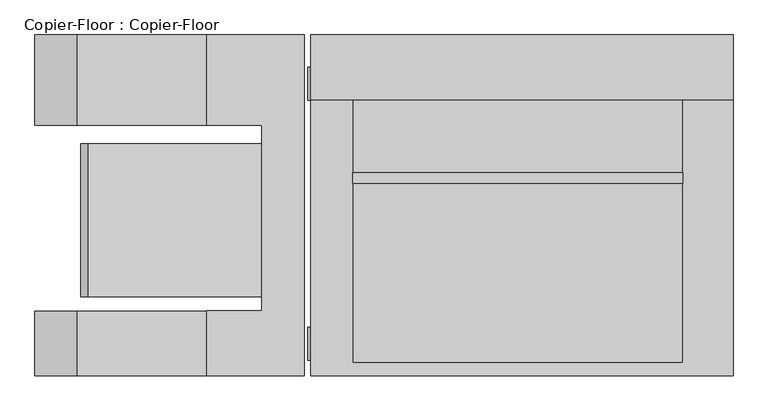
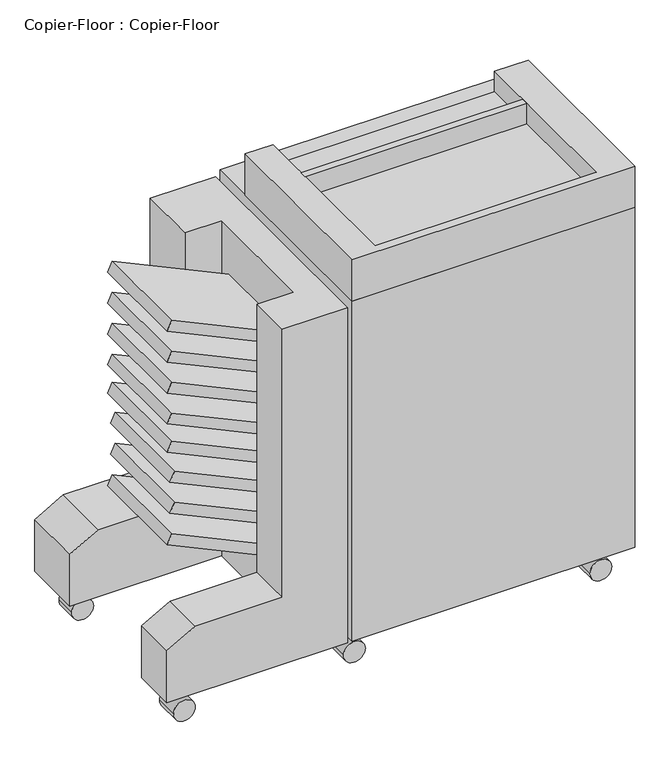
"""IFC4 building model written with IfcOpenShell, lengths in millimetres: proxy geometry, Copier-Floor : Copier-Floor."""

from ifc_helpers import new_model, si_unit, point, frame, frame_2d, origin, place, context, project, spatial, polyline, circle_curve, trimmed, segment, composite_curve, outline, extrude, faceted_brep, source, transform, mapped, element, save


def copier_floor_copier_floor_7d72a301(model_context):
    return source(origin(), model_context, "Body", "SolidModel", [
        extrude(outline(polyline([(387.7567294, -681.6535349), (364.7365116, -692.3880388), (232.9041289, -409.6725817), (260.929928, -409.6725817), (387.7567294, -681.6535349)])), frame((0.0, -167.6536807, 0.0), z_axis=(0.0, 1.0, 0.0), x_axis=(0.0, 0.0, 1.0)), (0.0, 0.0, 1.0), 239.8222339),
        extrude(outline(polyline([(463.6667654, -675.0122673), (440.6465476, -685.7467712), (311.9110388, -409.6725817), (339.9368379, -409.6725817), (463.6667654, -675.0122673)])), frame((0.0, -167.6536807, 0.0), z_axis=(0.0, 1.0, 0.0), x_axis=(0.0, 0.0, 1.0)), (0.0, 0.0, 1.0), 239.8222339),
        extrude(outline(polyline([(539.8667654, -675.0122673), (516.8465476, -685.7467712), (388.1110388, -409.6725817), (416.1368379, -409.6725817), (539.8667654, -675.0122673)])), frame((0.0, -167.6536807, 0.0), z_axis=(0.0, 1.0, 0.0), x_axis=(0.0, 0.0, 1.0)), (0.0, 0.0, 1.0), 239.8222339),
        extrude(outline(polyline([(914.2268014, -681.6535349), (891.2065836, -692.3880388), (759.3742009, -409.6725817), (787.4, -409.6725817), (914.2268014, -681.6535349)])), frame((0.0, -167.6536807, 0.0), z_axis=(0.0, 1.0, 0.0), x_axis=(0.0, 0.0, 1.0)), (0.0, 0.0, 1.0), 239.8222339),
        extrude(outline(polyline([(838.0268014, -681.6535349), (815.0065836, -692.3880388), (683.1742009, -409.6725817), (711.2, -409.6725817), (838.0268014, -681.6535349)])), frame((0.0, -167.6536807, 0.0), z_axis=(0.0, 1.0, 0.0), x_axis=(0.0, 0.0, 1.0)), (0.0, 0.0, 1.0), 239.8222339),
        extrude(outline(polyline([(615.7768014, -681.6535349), (592.7565836, -692.3880388), (460.9242009, -409.6725817), (488.95, -409.6725817), (615.7768014, -681.6535349)])), frame((0.0, -167.6536807, 0.0), z_axis=(0.0, 1.0, 0.0), x_axis=(0.0, 0.0, 1.0)), (0.0, 0.0, 1.0), 239.8222339),
        extrude(outline(polyline([(685.6268014, -681.6535349), (662.6065836, -692.3880388), (530.7742009, -409.6725817), (558.8, -409.6725817), (685.6268014, -681.6535349)])), frame((0.0, -167.6536807, 0.0), z_axis=(0.0, 1.0, 0.0), x_axis=(0.0, 0.0, 1.0)), (0.0, 0.0, 1.0), 239.8222339),
        extrude(outline(polyline([(761.8268014, -681.6535349), (738.8065836, -692.3880388), (606.9742009, -409.6725817), (635.0, -409.6725817), (761.8268014, -681.6535349)])), frame((0.0, -167.6536807, 0.0), z_axis=(0.0, 1.0, 0.0), x_axis=(0.0, 0.0, 1.0)), (0.0, 0.0, 1.0), 239.8222339),
        extrude(outline(composite_curve([segment(trimmed(circle_curve(frame_2d((26.0668925, -711.8709821)), 25.4), [point((26.0668925, -737.2709821))], [point((26.0668925, -686.4709821))], False, "CARTESIAN"), True, "CONTINUOUS"), segment(trimmed(circle_curve(frame_2d((26.0668925, -711.8709821)), 25.4), [point((26.0668925, -686.4709821))], [point((26.0668925, -737.2709821))], False, "CARTESIAN"), True, "CONTINUOUS")], self_intersect=False)), frame((0.0, -271.1108348, 0.0), z_axis=(0.0, 1.0, 0.0), x_axis=(0.0, 0.0, 1.0)), (0.0, 0.0, 1.0), 55.9418879),
        extrude(outline(composite_curve([segment(trimmed(circle_curve(frame_2d((26.0668925, -711.8709821)), 25.4), [point((26.0668925, -737.2709821))], [point((26.0668925, -686.4709821))], False, "CARTESIAN"), True, "CONTINUOUS"), segment(trimmed(circle_curve(frame_2d((26.0668925, -711.8709821)), 25.4), [point((26.0668925, -686.4709821))], [point((26.0668925, -737.2709821))], False, "CARTESIAN"), True, "CONTINUOUS")], self_intersect=False)), frame((0.0, 139.9052479, 0.0), z_axis=(0.0, 1.0, 0.0), x_axis=(0.0, 0.0, 1.0)), (0.0, 0.0, 1.0), 51.3258053),
        faceted_brep([(-764.1654582, 242.0310532, 76.2), (-764.1654582, 242.0310532, 203.2), (-698.1743224, 242.0310532, 241.3), (-494.9743224, 242.0310532, 241.3), (-494.9743224, 242.0310532, 901.7), (-342.5743224, 242.0310532, 901.7), (-342.5743224, 242.0310532, 76.2), (-764.1654582, -291.3689468, 76.2), (-342.5743224, -291.3689468, 76.2), (-342.5743224, -291.3689468, 901.7), (-494.9743224, -291.3689468, 901.7), (-494.9743224, -291.3689468, 241.3), (-698.1743224, -291.3689468, 241.3), (-764.1654582, -291.3689468, 203.2), (-764.1654582, -189.7689468, 76.2), (-409.6725817, -189.7689468, 76.2), (-409.6725817, 100.8888364, 76.2), (-764.1654582, 100.8888364, 76.2), (-494.9743224, 100.8888364, 901.7), (-409.6725817, 100.8888364, 901.7), (-409.6725817, -189.7689468, 901.7), (-494.9743224, -189.7689468, 901.7), (-494.9743224, -189.7689468, 241.3), (-494.9743224, 100.8888364, 241.3), (-698.1743224, -189.7689468, 241.3), (-698.1743224, 100.8888364, 241.3), (-764.1654582, -189.7689468, 203.2), (-764.1654582, 100.8888364, 203.2)], [[[0, 1, 2, 3, 4, 5, 6]], [[7, 8, 9, 10, 11, 12, 13]], [[6, 8, 7, 14, 15, 16, 17, 0]], [[5, 9, 8, 6]], [[4, 18, 19, 20, 21, 10, 9, 5]], [[10, 21, 22, 11]], [[3, 23, 18, 4]], [[11, 22, 24, 12]], [[2, 25, 23, 3]], [[12, 24, 26, 13]], [[1, 27, 25, 2]], [[0, 17, 27, 1]], [[13, 26, 14, 7]], [[15, 14, 26, 24, 22, 21, 20]], [[19, 18, 23, 25, 27, 17, 16]], [[20, 19, 16, 15]]]),
        extrude(outline(composite_curve([segment(trimmed(circle_curve(frame_2d((27.9129458, -312.2555429)), 25.4), [point((27.9129458, -337.6555429))], [point((27.9129458, -286.8555429))], False, "CARTESIAN"), True, "CONTINUOUS"), segment(trimmed(circle_curve(frame_2d((27.9129458, -312.2555429)), 25.4), [point((27.9129458, -286.8555429))], [point((27.9129458, -337.6555429))], False, "CARTESIAN"), True, "CONTINUOUS")], self_intersect=False)), frame((0.0, -266.4947521, 0.0), z_axis=(0.0, 1.0, 0.0), x_axis=(0.0, 0.0, 1.0)), (0.0, 0.0, 1.0), 51.3258053),
        extrude(outline(composite_curve([segment(trimmed(circle_curve(frame_2d((27.9129458, 262.7398948)), 25.4), [point((27.9129458, 237.3398948))], [point((27.9129458, 288.1398948))], False, "CARTESIAN"), True, "CONTINUOUS"), segment(trimmed(circle_curve(frame_2d((27.9129458, 262.7398948)), 25.4), [point((27.9129458, 288.1398948))], [point((27.9129458, 237.3398948))], False, "CARTESIAN"), True, "CONTINUOUS")], self_intersect=False)), frame((0.0, -266.4947521, 0.0), z_axis=(0.0, 1.0, 0.0), x_axis=(0.0, 0.0, 1.0)), (0.0, 0.0, 1.0), 51.3258053),
        extrude(outline(composite_curve([segment(trimmed(circle_curve(frame_2d((27.9129458, -312.2555429)), 25.4), [point((27.9129458, -337.6555429))], [point((27.9129458, -286.8555429))], False, "CARTESIAN"), True, "CONTINUOUS"), segment(trimmed(circle_curve(frame_2d((27.9129458, -312.2555429)), 25.4), [point((27.9129458, -286.8555429))], [point((27.9129458, -337.6555429))], False, "CARTESIAN"), True, "CONTINUOUS")], self_intersect=False)), frame((0.0, 139.9052479, 0.0), z_axis=(0.0, 1.0, 0.0), x_axis=(0.0, 0.0, 1.0)), (0.0, 0.0, 1.0), 51.3258053),
        extrude(outline(composite_curve([segment(trimmed(circle_curve(frame_2d((27.9129458, 262.7398948)), 25.4), [point((27.9129458, 237.3398948))], [point((27.9129458, 288.1398948))], False, "CARTESIAN"), True, "CONTINUOUS"), segment(trimmed(circle_curve(frame_2d((27.9129458, 262.7398948)), 25.4), [point((27.9129458, 288.1398948))], [point((27.9129458, 237.3398948))], False, "CARTESIAN"), True, "CONTINUOUS")], self_intersect=False)), frame((0.0, 139.9052479, 0.0), z_axis=(0.0, 1.0, 0.0), x_axis=(0.0, 0.0, 1.0)), (0.0, 0.0, 1.0), 51.3258053),
        extrude(outline(composite_curve([segment(trimmed(circle_curve(frame_2d((27.9129458, -306.6302391)), 25.4), [point((27.9129458, -332.0302391))], [point((27.9129458, -281.2302391))], False, "CARTESIAN"), True, "CONTINUOUS"), segment(trimmed(circle_curve(frame_2d((27.9129458, -306.6302391)), 25.4), [point((27.9129458, -281.2302391))], [point((27.9129458, -332.0302391))], False, "CARTESIAN"), True, "CONTINUOUS")], self_intersect=False)), frame((0.0, 139.9052479, 0.0), z_axis=(0.0, 1.0, 0.0), x_axis=(0.0, 0.0, 1.0)), (0.0, 0.0, 1.0), 51.3258053),
        extrude(outline(composite_curve([segment(trimmed(circle_curve(frame_2d((27.9129458, 268.3651986)), 25.4), [point((27.9129458, 242.9651986))], [point((27.9129458, 293.7651986))], False, "CARTESIAN"), True, "CONTINUOUS"), segment(trimmed(circle_curve(frame_2d((27.9129458, 268.3651986)), 25.4), [point((27.9129458, 293.7651986))], [point((27.9129458, 242.9651986))], False, "CARTESIAN"), True, "CONTINUOUS")], self_intersect=False)), frame((0.0, 139.9052479, 0.0), z_axis=(0.0, 1.0, 0.0), x_axis=(0.0, 0.0, 1.0)), (0.0, 0.0, 1.0), 51.3258053),
        extrude(outline(polyline([(249.314028, 26.1310532), (249.314028, 10.0577181), (-267.2959958, 10.0577181), (-267.2959958, 26.1310532), (249.314028, 26.1310532)])), frame((0.0, 0.0, 965.2), z_axis=(0.0, 0.0, 1.0), x_axis=(1.0, 0.0, 0.0)), (0.0, 0.0, 1.0), 50.8),
        faceted_brep([(249.314028, 242.0310532, 472.3553727), (-284.085972, 242.0310532, 472.3553727), (-284.085972, 242.0310532, 609.6), (249.314028, 242.0310532, 609.6), (-66.7741493, 242.0310532, 578.8591447), (-66.7741493, 242.0310532, 553.4591447), (34.8258507, 242.0310532, 553.4591447), (34.8258507, 242.0310532, 578.8591447), (249.314028, 191.2310532, 472.3553727), (249.314028, 191.2310532, 609.6), (-284.085972, 191.2310532, 609.6), (-284.085972, 191.2310532, 472.3553727), (34.8258507, 216.6310532, 578.8591447), (34.8258507, 216.6310532, 553.4591447), (-66.7741493, 216.6310532, 553.4591447), (-66.7741493, 216.6310532, 578.8591447)], [[[0, 1, 2, 3], [4, 5, 6, 7]], [[8, 9, 10, 11]], [[3, 9, 8, 0]], [[2, 10, 9, 3]], [[1, 11, 10, 2]], [[0, 8, 11, 1]], [[12, 13, 14, 15]], [[15, 4, 7, 12]], [[14, 5, 4, 15]], [[13, 6, 5, 14]], [[12, 7, 6, 13]]]),
        faceted_brep([(249.314028, 242.0310532, 283.8723489), (-284.085972, 242.0310532, 283.8723489), (-284.085972, 242.0310532, 472.3553727), (249.314028, 242.0310532, 472.3553727), (-66.7741493, 242.0310532, 432.3774172), (-66.7741493, 242.0310532, 406.4), (34.8258507, 242.0310532, 406.4), (34.8258507, 242.0310532, 432.3774172), (249.314028, 191.2310532, 283.8723489), (249.314028, 191.2310532, 472.3553727), (-284.085972, 191.2310532, 472.3553727), (-284.085972, 191.2310532, 283.8723489), (34.8258507, 216.6310532, 432.3774172), (34.8258507, 216.6310532, 406.4), (-66.7741493, 216.6310532, 406.4), (-66.7741493, 216.6310532, 432.3774172)], [[[0, 1, 2, 3], [4, 5, 6, 7]], [[8, 9, 10, 11]], [[3, 9, 8, 0]], [[2, 10, 9, 3]], [[1, 11, 10, 2]], [[0, 8, 11, 1]], [[12, 13, 14, 15]], [[15, 4, 7, 12]], [[14, 5, 4, 15]], [[13, 6, 5, 14]], [[12, 7, 6, 13]]]),
        faceted_brep([(249.314028, 242.0310532, 76.2), (-284.085972, 242.0310532, 76.2), (-284.085972, 242.0310532, 283.8723489), (249.314028, 242.0310532, 283.8723489), (-66.7741493, 242.0310532, 246.5423898), (-66.7741493, 242.0310532, 211.1096445), (34.8258507, 242.0310532, 211.1096445), (34.8258507, 242.0310532, 246.5423898), (249.314028, 191.2310532, 76.2), (249.314028, 191.2310532, 283.8723489), (-284.085972, 191.2310532, 283.8723489), (-284.085972, 191.2310532, 76.2), (34.8258507, 216.6310532, 246.5423898), (34.8258507, 216.6310532, 211.1096445), (-66.7741493, 216.6310532, 211.1096445), (-66.7741493, 216.6310532, 246.5423898)], [[[0, 1, 2, 3], [4, 5, 6, 7]], [[8, 9, 10, 11]], [[3, 9, 8, 0]], [[2, 10, 9, 3]], [[1, 11, 10, 2]], [[0, 8, 11, 1]], [[12, 13, 14, 15]], [[15, 4, 7, 12]], [[14, 5, 4, 15]], [[13, 6, 5, 14]], [[12, 7, 6, 13]]]),
        faceted_brep([(328.0345418, -291.3689468, 1016.0), (328.0345418, 139.9052479, 1016.0), (249.314028, 139.9052479, 1016.0), (249.314028, -271.1108348, 1016.0), (-267.2959958, -271.1108348, 1016.0), (-267.2959958, 139.9052479, 1016.0), (-332.3654582, 139.9052479, 1016.0), (-332.3654582, -291.3689468, 1016.0), (328.0345418, -291.3689468, 914.4), (-332.3654582, -291.3689468, 914.4), (-332.3654582, 139.9052479, 914.4), (328.0345418, 139.9052479, 914.4), (-267.2959958, 139.9052479, 965.2), (249.314028, 139.9052479, 965.2), (249.314028, -271.1108348, 965.2), (-267.2959958, -271.1108348, 965.2)], [[[0, 1, 2, 3, 4, 5, 6, 7]], [[8, 9, 10, 11]], [[7, 9, 8, 0]], [[6, 10, 9, 7]], [[10, 6, 5, 12, 13, 2, 1, 11]], [[0, 8, 11, 1]], [[14, 13, 12, 15]], [[15, 4, 3, 14]], [[12, 5, 4, 15]], [[14, 3, 2, 13]]]),
        faceted_brep([(328.0345418, -291.3689468, 914.4), (328.0345418, 242.0310532, 914.4), (-332.3654582, 242.0310532, 914.4), (-332.3654582, -291.3689468, 914.4), (328.0345418, -291.3689468, 76.2), (-332.3654582, -291.3689468, 76.2), (-332.3654582, 242.0310532, 76.2), (-284.085972, 242.0310532, 76.2), (-284.085972, 191.2310532, 76.2), (249.314028, 191.2310532, 76.2), (249.314028, 242.0310532, 76.2), (328.0345418, 242.0310532, 76.2), (249.314028, 242.0310532, 609.6), (-284.085972, 242.0310532, 609.6), (-284.085972, 191.2310532, 609.6), (249.314028, 191.2310532, 609.6)], [[[0, 1, 2, 3]], [[4, 5, 6, 7, 8, 9, 10, 11]], [[3, 5, 4, 0]], [[2, 6, 5, 3]], [[1, 11, 10, 12, 13, 7, 6, 2]], [[0, 4, 11, 1]], [[14, 15, 9, 8]], [[8, 7, 13, 14]], [[15, 12, 10, 9]], [[14, 13, 12, 15]]]),
    ])


if __name__ == "__main__":
    model = new_model("IFC4")
    model_context = context("Model", 3, world=origin())
    ifc_project = project(units=[si_unit("LENGTHUNIT", "METRE", prefix="MILLI")], contexts=[model_context])
    site = spatial("IfcSite", under=ifc_project)
    building = spatial("IfcBuilding", under=site)
    placement = place(None, origin())
    copier_floor_copier_floor_shape = copier_floor_copier_floor_7d72a301(model_context)
    element("IfcBuildingElementProxy", 1, Name="Copier-Floor : Copier-Floor", ObjectType="Copier-Floor : Copier-Floor", at=placement, inside=building, context=model_context, shape_type="MappedRepresentation", body=[
        mapped(copier_floor_copier_floor_shape, transform((0.0, 0.0, 0.0), x_axis=(1.0, 0.0, 0.0), y_axis=(0.0, 1.0, 0.0), z_axis=(0.0, 0.0, 1.0))),
    ])
    save(model, "model.ifc")
